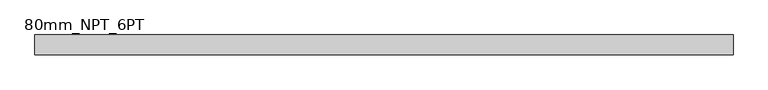
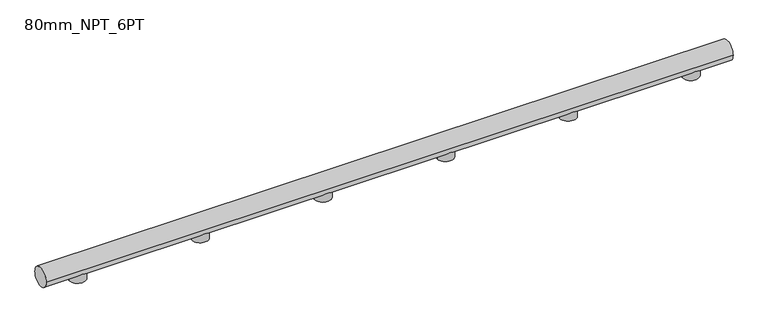
"""IFC4 building model written with IfcOpenShell, lengths in millimetres: proxy geometry, 80mm_NPT_6PT."""

import ifcopenshell
import ifcopenshell.guid

model = None  # the IFC model being written
_history = None  # IfcOwnerHistory: only IFC2X3 demands one
_inside = {}  # id of a spatial element -> (the spatial element, [elements in it])
_under = {}  # id of a project, library or spatial element -> (it, [spatial elements below it])
_declared = {}  # id of a project -> (the project, [libraries it declares])
_typed = {}  # id of a type object -> (the type object, [elements of that type])
_made_of = {}  # id of a material, layer set ... -> (it, [elements and type objects made of it])


def new_model(schema):
    """Start an empty IFC model of exactly this schema.

    Asked for "IFC4X3", IfcOpenShell would pick the latest addendum, in which some entities
    have other attributes; the version numbers below select the first issue.
    IFC2X3 requires an IfcOwnerHistory on every rooted entity: one is made here for all.
    """
    global model, _history
    if schema == "IFC4X3":
        model = ifcopenshell.file(schema_version=(4, 3, 0, 0))
    else:
        model = ifcopenshell.file(schema=schema)
    _inside.clear()
    _under.clear()
    _declared.clear()
    _typed.clear()
    _made_of.clear()
    _history = None
    if model.schema == "IFC2X3":
        org = make("IfcOrganization", Name="unknown")
        user = make(
            "IfcPersonAndOrganization",
            ThePerson=make("IfcPerson", FamilyName="unknown"),
            TheOrganization=org,
        )
        app = make(
            "IfcApplication",
            ApplicationDeveloper=org,
            Version="unknown",
            ApplicationFullName="unknown",
            ApplicationIdentifier="unknown",
        )
        _history = make(
            "IfcOwnerHistory",
            OwningUser=user,
            OwningApplication=app,
            ChangeAction="ADDED",
            CreationDate=0,
        )
    return model


def make(cls, **values):
    """One entity of the class cls with the attributes given. An attribute that is None is left unset."""
    return model.create_entity(
        cls, **{name: value for name, value in values.items() if value is not None}
    )


def rooted(cls, **values):
    """An entity with a GlobalId (a new one), such as an element, a storey or a relation."""
    return make(cls, GlobalId=ifcopenshell.guid.new(), OwnerHistory=_history, **values)


def si_unit(unit_type, name, prefix=None):
    """IfcSIUnit, for example si_unit("LENGTHUNIT", "METRE", prefix="MILLI")."""
    return make("IfcSIUnit", UnitType=unit_type, Prefix=prefix, Name=name)


def assignment(units):
    """IfcUnitAssignment: the units of a project."""
    return None if units is None else make("IfcUnitAssignment", Units=units)


def point(xyz):
    """IfcCartesianPoint."""
    return None if xyz is None else make("IfcCartesianPoint", Coordinates=xyz)


def direction(xyz):
    """IfcDirection."""
    return None if xyz is None else make("IfcDirection", DirectionRatios=xyz)


def frame(location, z_axis=None, x_axis=None):
    """IfcAxis2Placement3D, a coordinate frame: its origin and axes. An axis left out is left unset."""
    return make(
        "IfcAxis2Placement3D",
        Location=point(location),
        Axis=direction(z_axis),
        RefDirection=direction(x_axis),
    )


def frame_2d(location, x_axis=None):
    """IfcAxis2Placement2D, a coordinate frame in the plane: its origin and x axis."""
    return make(
        "IfcAxis2Placement2D", Location=point(location), RefDirection=direction(x_axis)
    )


def origin():
    """The frame at (0, 0, 0) with its axes left unset."""
    return frame((0.0, 0.0, 0.0))


def place(relative_to, where):
    """IfcLocalPlacement: puts the frame where relative to a parent placement (None: the world)."""
    return make(
        "IfcLocalPlacement", PlacementRelTo=relative_to, RelativePlacement=where
    )


def context(
    kind, dimensions, precision=None, world=None, true_north=None, identifier=None
):
    """IfcGeometricRepresentationContext, for example the 3D "Model" context."""
    return make(
        "IfcGeometricRepresentationContext",
        ContextIdentifier=identifier,
        ContextType=kind,
        CoordinateSpaceDimension=dimensions,
        Precision=precision,
        WorldCoordinateSystem=world,
        TrueNorth=true_north,
    )


def project(units=None, contexts=None):
    """IfcProject with its units and contexts."""
    return rooted(
        "IfcProject",
        Name="project",
        RepresentationContexts=contexts,
        UnitsInContext=assignment(units),
    )


def spatial(cls, under=None, at=None, **own):
    """A site, building, storey or space (cls), placed at a placement, below another one or the project."""
    s = rooted(cls, ObjectPlacement=at, **own)
    if under is not None:
        _under.setdefault(under.id(), (under, []))[1].append(s)
    return s


def circle_curve(where, radius):
    """IfcCircle in the frame where."""
    return make("IfcCircle", Position=where, Radius=radius)


def trimmed(basis, trim1, trim2, sense, master):
    """IfcTrimmedCurve: the piece of a basis curve between two trims."""
    return make(
        "IfcTrimmedCurve",
        BasisCurve=basis,
        Trim1=trim1,
        Trim2=trim2,
        SenseAgreement=sense,
        MasterRepresentation=master,
    )


def segment(curve, same_sense, transition):
    """IfcCompositeCurveSegment."""
    return make(
        "IfcCompositeCurveSegment",
        Transition=transition,
        SameSense=same_sense,
        ParentCurve=curve,
    )


def composite_curve(segments, self_intersect=None):
    """IfcCompositeCurve: segments joined end to end."""
    return make("IfcCompositeCurve", Segments=segments, SelfIntersect=self_intersect)


def outline(outer, holes=None, kind="AREA"):
    """IfcArbitraryClosedProfileDef: a profile drawn as a closed curve; with holes, ...WithVoids."""
    if holes is None:
        return make("IfcArbitraryClosedProfileDef", ProfileType=kind, OuterCurve=outer)
    return make(
        "IfcArbitraryProfileDefWithVoids",
        ProfileType=kind,
        OuterCurve=outer,
        InnerCurves=holes,
    )


def extrude(swept, where, along, depth):
    """IfcExtrudedAreaSolid: the profile swept, set in the frame where, extruded along a direction by depth."""
    return make(
        "IfcExtrudedAreaSolid",
        SweptArea=swept,
        Position=where,
        ExtrudedDirection=direction(along),
        Depth=depth,
    )


def shape(context_of_items, identifier, shape_type, items):
    """IfcShapeRepresentation: the items that make up one representation, for example the "Body"."""
    return make(
        "IfcShapeRepresentation",
        ContextOfItems=context_of_items,
        RepresentationIdentifier=identifier,
        RepresentationType=shape_type,
        Items=items,
    )


def source(mapping_origin, context_of_items, identifier, shape_type, items):
    """IfcRepresentationMap: a shape defined once, which mapped items show again and again."""
    return make(
        "IfcRepresentationMap",
        MappingOrigin=mapping_origin,
        MappedRepresentation=shape(context_of_items, identifier, shape_type, items),
    )


def transform(
    local_origin,
    x_axis=None,
    y_axis=None,
    z_axis=None,
    scale=None,
    scale2=None,
    scale3=None,
    uniform=True,
):
    """IfcCartesianTransformationOperator3D, or its non-uniform kind. x_axis, y_axis, z_axis: its Axis1, 2, 3."""
    if uniform:
        return make(
            "IfcCartesianTransformationOperator3D",
            Axis1=direction(x_axis),
            Axis2=direction(y_axis),
            LocalOrigin=point(local_origin),
            Scale=scale,
            Axis3=direction(z_axis),
        )
    return make(
        "IfcCartesianTransformationOperator3DnonUniform",
        Axis1=direction(x_axis),
        Axis2=direction(y_axis),
        LocalOrigin=point(local_origin),
        Scale=scale,
        Axis3=direction(z_axis),
        Scale2=scale2,
        Scale3=scale3,
    )


def mapped(mapping_source, mapping_target):
    """IfcMappedItem: shows the shape of a source again, moved by a transform."""
    return make(
        "IfcMappedItem", MappingSource=mapping_source, MappingTarget=mapping_target
    )


def made_of(thing, what):
    """Note that an element or type object is made of a material, layer set ...; save() writes the relation."""
    if what is not None:
        _made_of.setdefault(what.id(), (what, []))[1].append(thing)
    return thing


def element(
    cls,
    number,
    at=None,
    inside=None,
    cuts=None,
    type_object=None,
    material=None,
    context=None,
    identifier="Body",
    shape_type=None,
    held_by="IfcProductDefinitionShape",
    body=None,
    shapes=None,
    **own,
):
    """One element of the class cls, such as IfcWall. Its Tag is "e" and its number.

    at: its placement. inside: the storey or other place that contains it. cuts: it is an
    opening in that element (IfcRelVoidsElement). A single representation is given by context,
    identifier, shape_type and body (its items); several are given by shapes. held_by: the class
    of the entity that holds the representations. save() writes the other relations.
    """
    e = rooted(cls, Tag="e%d" % number, ObjectPlacement=at, **own)
    if body is not None:
        shapes = [shape(context, identifier, shape_type, body)]
    if shapes is not None:
        e.Representation = make(held_by, Representations=shapes)
    if inside is not None:
        _inside.setdefault(inside.id(), (inside, []))[1].append(e)
    if cuts is not None:
        rooted(
            "IfcRelVoidsElement", RelatingBuildingElement=cuts, RelatedOpeningElement=e
        )
    if type_object is not None:
        _typed.setdefault(type_object.id(), (type_object, []))[1].append(e)
    return made_of(e, material)


def aggregate(whole, parts):
    """IfcRelAggregates: a whole, such as a stair, and the parts it consists of."""
    return rooted("IfcRelAggregates", RelatingObject=whole, RelatedObjects=parts)


def save(model, path):
    """Write the relations noted so far, then the file.

    IfcRelAggregates (storeys below a building ...), IfcRelContainedInSpatialStructure (elements
    in a storey), IfcRelDefinesByType, IfcRelAssociatesMaterial and IfcRelDeclares: one each for
    every whole, place, type object, material and project.
    """
    for whole, parts in _under.values():
        aggregate(whole, parts)
    for where, things in _inside.values():
        rooted(
            "IfcRelContainedInSpatialStructure",
            RelatedElements=things,
            RelatingStructure=where,
        )
    for kind, things in _typed.values():
        rooted("IfcRelDefinesByType", RelatedObjects=things, RelatingType=kind)
    for what, things in _made_of.values():
        rooted("IfcRelAssociatesMaterial", RelatedObjects=things, RelatingMaterial=what)
    for by, libraries in _declared.values():
        rooted("IfcRelDeclares", RelatingContext=by, RelatedDefinitions=libraries)
    model.write(path)


def proxy_80mm_npt_6pt_f5132dd4(model_context):
    return source(origin(), model_context, "Body", "SweptSolid", [
        extrude(outline(composite_curve([segment(trimmed(circle_curve(frame_2d((2250.0, 0.0)), 33.5), [point((2216.5, 0.0))], [point((2283.5, 0.0))], False, "CARTESIAN"), True, "CONTINUOUS"), segment(trimmed(circle_curve(frame_2d((2250.0, 0.0)), 33.5), [point((2283.5, 0.0))], [point((2216.5, 0.0))], False, "CARTESIAN"), True, "CONTINUOUS")], self_intersect=False)), frame((0.0, 0.0, -17.10201), z_axis=(0.0, 0.0, 1.0), x_axis=(1.0, 0.0, 0.0)), (0.0, 0.0, 1.0), 67.4327816),
        extrude(outline(composite_curve([segment(trimmed(circle_curve(frame_2d((1750.0, 0.0)), 33.5), [point((1716.5, 0.0))], [point((1783.5, 0.0))], False, "CARTESIAN"), True, "CONTINUOUS"), segment(trimmed(circle_curve(frame_2d((1750.0, 0.0)), 33.5), [point((1783.5, 0.0))], [point((1716.5, 0.0))], False, "CARTESIAN"), True, "CONTINUOUS")], self_intersect=False)), frame((0.0, 0.0, -17.10201), z_axis=(0.0, 0.0, 1.0), x_axis=(1.0, 0.0, 0.0)), (0.0, 0.0, 1.0), 67.4327816),
        extrude(outline(composite_curve([segment(trimmed(circle_curve(frame_2d((1250.0, 0.0)), 33.5), [point((1216.5, 0.0))], [point((1283.5, 0.0))], False, "CARTESIAN"), True, "CONTINUOUS"), segment(trimmed(circle_curve(frame_2d((1250.0, 0.0)), 33.5), [point((1283.5, 0.0))], [point((1216.5, 0.0))], False, "CARTESIAN"), True, "CONTINUOUS")], self_intersect=False)), frame((0.0, 0.0, -17.10201), z_axis=(0.0, 0.0, 1.0), x_axis=(1.0, 0.0, 0.0)), (0.0, 0.0, 1.0), 67.4327816),
        extrude(outline(composite_curve([segment(trimmed(circle_curve(frame_2d((750.0, 0.0)), 33.5), [point((716.5, 0.0))], [point((783.5, 0.0))], False, "CARTESIAN"), True, "CONTINUOUS"), segment(trimmed(circle_curve(frame_2d((750.0, 0.0)), 33.5), [point((783.5, 0.0))], [point((716.5, 0.0))], False, "CARTESIAN"), True, "CONTINUOUS")], self_intersect=False)), frame((0.0, 0.0, -17.10201), z_axis=(0.0, 0.0, 1.0), x_axis=(1.0, 0.0, 0.0)), (0.0, 0.0, 1.0), 67.4327816),
        extrude(outline(composite_curve([segment(trimmed(circle_curve(frame_2d((250.0, 0.0)), 33.5), [point((216.5, 0.0))], [point((283.5, 0.0))], False, "CARTESIAN"), True, "CONTINUOUS"), segment(trimmed(circle_curve(frame_2d((250.0, 0.0)), 33.5), [point((283.5, 0.0))], [point((216.5, 0.0))], False, "CARTESIAN"), True, "CONTINUOUS")], self_intersect=False)), frame((0.0, 0.0, -17.10201), z_axis=(0.0, 0.0, 1.0), x_axis=(1.0, 0.0, 0.0)), (0.0, 0.0, 1.0), 67.4327816),
        extrude(outline(composite_curve([segment(trimmed(circle_curve(frame_2d((-250.0, 0.0)), 33.5), [point((-283.5, 0.0))], [point((-216.5, 0.0))], False, "CARTESIAN"), True, "CONTINUOUS"), segment(trimmed(circle_curve(frame_2d((-250.0, 0.0)), 33.5), [point((-216.5, 0.0))], [point((-283.5, 0.0))], False, "CARTESIAN"), True, "CONTINUOUS")], self_intersect=False)), frame((0.0, 0.0, -17.10201), z_axis=(0.0, 0.0, 1.0), x_axis=(1.0, 0.0, 0.0)), (0.0, 0.0, 1.0), 67.4327816),
        extrude(outline(composite_curve([segment(trimmed(circle_curve(frame_2d((0.0, 40.0)), 40.0), [point((-40.0, 40.0))], [point((40.0, 40.0))], False, "CARTESIAN"), True, "CONTINUOUS"), segment(trimmed(circle_curve(frame_2d((0.0, 40.0)), 40.0), [point((40.0, 40.0))], [point((-40.0, 40.0))], False, "CARTESIAN"), True, "CONTINUOUS")], self_intersect=False)), frame((-400.0, 0.0, 0.0), z_axis=(1.0, 0.0, 0.0), x_axis=(0.0, 1.0, 0.0)), (0.0, 0.0, 1.0), 2800.0),
    ])


if __name__ == "__main__":
    model = new_model("IFC4")
    model_context = context("Model", 3, world=origin())
    ifc_project = project(units=[si_unit("LENGTHUNIT", "METRE", prefix="MILLI")], contexts=[model_context])
    site = spatial("IfcSite", under=ifc_project)
    building = spatial("IfcBuilding", under=site)
    placement = place(None, origin())
    proxy_80mm_npt_6pt_shape = proxy_80mm_npt_6pt_f5132dd4(model_context)
    element("IfcBuildingElementProxy", 1, Name="80mm_NPT_6PT", ObjectType="80mm_NPT_6PT", at=placement, inside=building, context=model_context, shape_type="MappedRepresentation", body=[
        mapped(proxy_80mm_npt_6pt_shape, transform((0.0, 0.0, 0.0), x_axis=(1.0, 0.0, 0.0), y_axis=(0.0, 1.0, 0.0), z_axis=(0.0, 0.0, 1.0))),
    ])
    save(model, "model.ifc")
